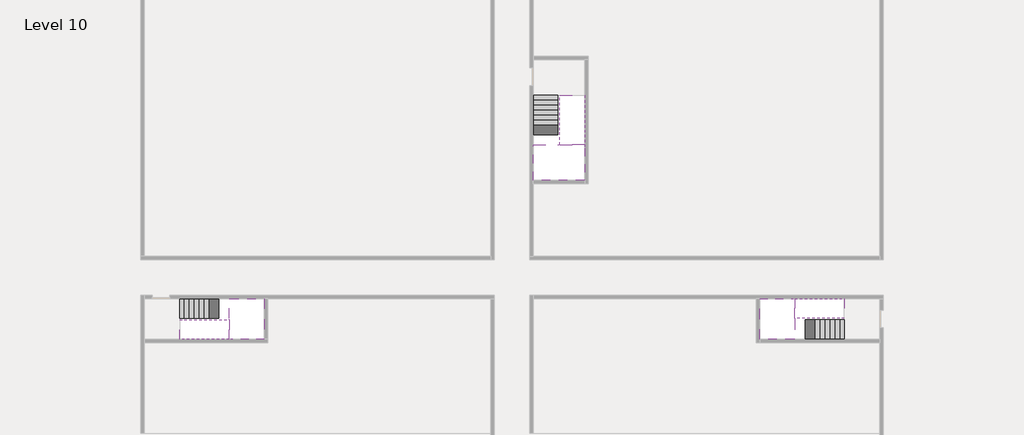
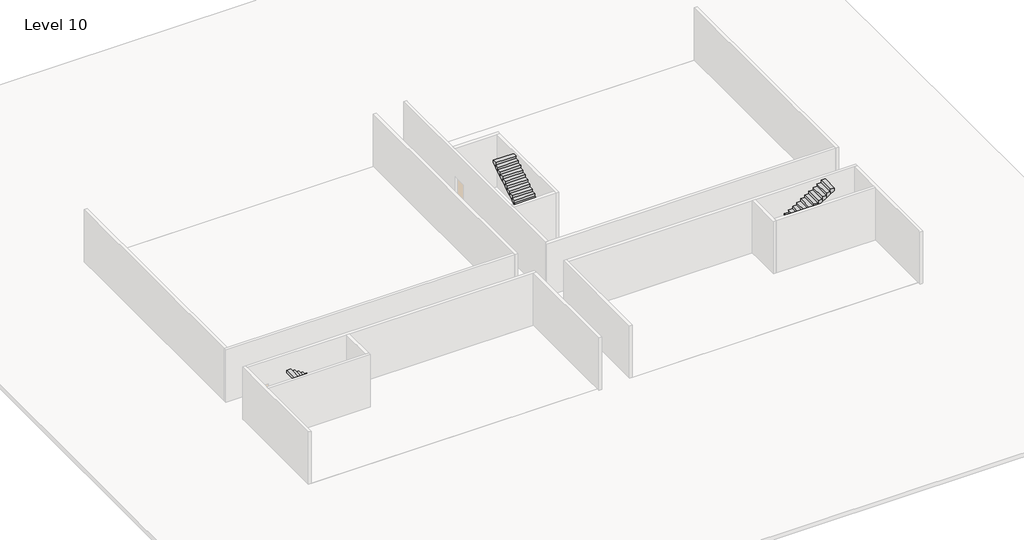
# One storey, part 2 of 2: 6 stair flights, 3 slabs.
"""IFC4 building model written with IfcOpenShell, lengths in millimetres."""

from ifc_helpers import new_model, si_unit, origin, place, context, project, spatial, faceted_brep, element, save

model = new_model("IFC4")

# Units and contexts
model_context = context("Model", 3, world=origin())
ifc_project = project(units=[si_unit("LENGTHUNIT", "METRE", prefix="MILLI")], contexts=[model_context])

# Site, building, storey
site = spatial("IfcSite", under=ifc_project)
building = spatial("IfcBuilding", under=site)
storey = spatial("IfcBuildingStorey", under=building, Name="Level 10", Elevation=34200.0)

# Slabs
placement = place(None, origin())
element("IfcSlab", 1, at=placement, inside=storey, context=model_context, shape_type="Brep", body=[
    faceted_brep([(8190.1058784, -42918.09644, 36100.0), (8190.1058784, -44018.09644, 36100.0), (8190.1058784, -44118.09644, 36100.0), (8190.1058784, -45218.09644, 36100.0), (8390.7194421, -45218.09644, 36100.0), (10190.1058784, -45218.09644, 36100.0), (10190.1058784, -42918.09644, 36100.0), (8269.4923146, -42918.09644, 36100.0), (8190.1058784, -42918.09644, 35927.2727273), (8190.1058784, -42918.09644, 35751.0278478), (8190.1058784, -44018.09644, 35751.0278478), (8190.1058784, -44018.09644, 35800.0), (8190.1058784, -44118.09644, 35800.0), (8190.1058784, -44118.09644, 35923.7551205), (8190.1058784, -45218.09644, 35923.7551205), (8390.7194421, -45218.09644, 35800.0), (10190.1058784, -45218.09644, 35800.0), (10190.1058784, -42918.09644, 35800.0), (8269.4923146, -42918.09644, 35800.0), (8390.7194421, -44118.09644, 35800.0), (8269.4923146, -44018.09644, 35800.0)], [[[0, 1, 2, 3, 4, 5, 6, 7]], [[1, 0, 8, 9, 10, 11]], [[2, 1, 11, 12, 13]], [[3, 2, 13, 14]], [[3, 14, 15, 16, 5, 4]], [[6, 5, 16, 17]], [[9, 8, 0, 7, 6, 17, 18]], [[19, 12, 11, 20, 18, 17, 16, 15]], [[12, 19, 13]], [[18, 20, 10, 9]], [[20, 11, 10]], [[19, 15, 14, 13]]]),
])
element("IfcSlab", 2, at=placement, inside=storey, context=model_context, shape_type="Brep", body=[
    faceted_brep([(40190.1058784, -45218.09644, 36100.0), (40190.1058784, -44118.09644, 36100.0), (40190.1058784, -44018.09644, 36100.0), (40190.1058784, -42918.09644, 36100.0), (39989.4923146, -42918.09644, 36100.0), (38190.1058784, -42918.09644, 36100.0), (38190.1058784, -45218.09644, 36100.0), (40110.7194421, -45218.09644, 36100.0), (40190.1058784, -45218.09644, 35927.2727273), (40190.1058784, -45218.09644, 35751.0278478), (40190.1058784, -44118.09644, 35751.0278478), (40190.1058784, -44118.09644, 35800.0), (40190.1058784, -44018.09644, 35800.0), (40190.1058784, -44018.09644, 35923.7551205), (40190.1058784, -42918.09644, 35923.7551205), (39989.4923146, -42918.09644, 35800.0), (38190.1058784, -42918.09644, 35800.0), (38190.1058784, -45218.09644, 35800.0), (40110.7194421, -45218.09644, 35800.0), (39989.4923146, -44018.09644, 35800.0), (40110.7194421, -44118.09644, 35800.0)], [[[0, 1, 2, 3, 4, 5, 6, 7]], [[1, 0, 8, 9, 10, 11]], [[2, 1, 11, 12, 13]], [[3, 2, 13, 14]], [[3, 14, 15, 16, 5, 4]], [[6, 5, 16, 17]], [[9, 8, 0, 7, 6, 17, 18]], [[19, 12, 11, 20, 18, 17, 16, 15]], [[12, 19, 13]], [[18, 20, 10, 9]], [[20, 11, 10]], [[19, 15, 14, 13]]]),
])
element("IfcSlab", 3, at=placement, inside=storey, context=model_context, shape_type="Brep", body=[
    faceted_brep([(26790.1058784, -34218.09644, 36100.0), (25390.1058784, -34218.09644, 36100.0), (25390.1058784, -34297.4828763, 36100.0), (25390.1058784, -36218.09644, 36100.0), (28290.1058784, -36218.09644, 36100.0), (28290.1058784, -34418.7100038, 36100.0), (28290.1058784, -34218.09644, 36100.0), (26890.1058784, -34218.09644, 36100.0), (26790.1058784, -34218.09644, 35800.0), (26790.1058784, -34218.09644, 35751.0278478), (25390.1058784, -34218.09644, 35751.0278478), (25390.1058784, -34218.09644, 35927.2727273), (25390.1058784, -34297.4828763, 35800.0), (25390.1058784, -36218.09644, 35800.0), (28290.1058784, -36218.09644, 35800.0), (28290.1058784, -34418.7100038, 35800.0), (28290.1058784, -34218.09644, 35923.7551205), (26890.1058784, -34218.09644, 35923.7551205), (26890.1058784, -34218.09644, 35800.0), (26890.1058784, -34418.7100038, 35800.0), (26790.1058784, -34297.4828763, 35800.0)], [[[0, 1, 2, 3, 4, 5, 6, 7]], [[1, 0, 8, 9, 10, 11]], [[1, 11, 10, 12, 13, 3, 2]], [[4, 3, 13, 14]], [[4, 14, 15, 16, 6, 5]], [[7, 6, 16, 17]], [[0, 7, 17, 18, 8]], [[18, 19, 15, 14, 13, 12, 20, 8]], [[19, 18, 17]], [[20, 12, 10, 9]], [[8, 20, 9]], [[15, 19, 17, 16]]]),
])

# Stair flights
element("IfcStairFlight", 4, at=placement, inside=storey, context=model_context, shape_type="Brep", body=[
    faceted_brep([(5670.1058784, -42918.09644, 34372.7272727), (5390.1058784, -42918.09644, 34372.7272727), (5390.1058784, -44018.09644, 34372.7272727), (5670.1058784, -44018.09644, 34372.7272727), (5670.1058784, -42918.09644, 34200.0), (5390.1058784, -42918.09644, 34200.0), (5390.1058784, -44018.09644, 34200.0), (5670.1058784, -44018.09644, 34200.0), (5950.1058784, -42918.09644, 34545.4545455), (5670.1058784, -42918.09644, 34545.4545455), (5670.1058784, -44018.09644, 34545.4545455), (5950.1058784, -44018.09644, 34545.4545455), (5950.1058784, -42918.09644, 34369.209666), (5675.8081041, -42918.09644, 34200.0), (5675.8081041, -44018.09644, 34200.0), (5950.1058784, -44018.09644, 34369.209666), (6230.1058784, -42918.09644, 34718.1818182), (5950.1058784, -42918.09644, 34718.1818182), (5950.1058784, -44018.09644, 34718.1818182), (6230.1058784, -44018.09644, 34718.1818182), (6230.1058784, -42918.09644, 34541.9369387), (6230.1058784, -44018.09644, 34541.9369387), (6510.1058784, -42918.09644, 34890.9090909), (6230.1058784, -42918.09644, 34890.9090909), (6230.1058784, -44018.09644, 34890.9090909), (6510.1058784, -44018.09644, 34890.9090909), (6510.1058784, -42918.09644, 34714.6642114), (6510.1058784, -44018.09644, 34714.6642114), (6790.1058784, -42918.09644, 35063.6363636), (6510.1058784, -42918.09644, 35063.6363636), (6510.1058784, -44018.09644, 35063.6363636), (6790.1058784, -44018.09644, 35063.6363636), (6790.1058784, -42918.09644, 34887.3914841), (6790.1058784, -44018.09644, 34887.3914841), (7070.1058784, -42918.09644, 35236.3636364), (6790.1058784, -42918.09644, 35236.3636364), (6790.1058784, -44018.09644, 35236.3636364), (7070.1058784, -44018.09644, 35236.3636364), (7070.1058784, -42918.09644, 35060.1187569), (7070.1058784, -44018.09644, 35060.1187569), (7350.1058784, -42918.09644, 35409.0909091), (7070.1058784, -42918.09644, 35409.0909091), (7070.1058784, -44018.09644, 35409.0909091), (7350.1058784, -44018.09644, 35409.0909091), (7350.1058784, -42918.09644, 35232.8460296), (7350.1058784, -44018.09644, 35232.8460296), (7630.1058784, -42918.09644, 35581.8181818), (7350.1058784, -42918.09644, 35581.8181818), (7350.1058784, -44018.09644, 35581.8181818), (7630.1058784, -44018.09644, 35581.8181818), (7630.1058784, -42918.09644, 35405.5733023), (7630.1058784, -44018.09644, 35405.5733023), (7910.1058784, -42918.09644, 35754.5454545), (7630.1058784, -42918.09644, 35754.5454545), (7630.1058784, -44018.09644, 35754.5454545), (7910.1058784, -44018.09644, 35754.5454545), (7910.1058784, -42918.09644, 35578.3005751), (7910.1058784, -44018.09644, 35578.3005751), (8190.1058784, -42918.09644, 35927.2727273), (7910.1058784, -42918.09644, 35927.2727273), (7910.1058784, -44018.09644, 35927.2727273), (8190.1058784, -44018.09644, 35927.2727273), (8190.1058784, -42918.09644, 35751.0278478), (8190.1058784, -44018.09644, 35751.0278478), (8190.1058784, -44018.09644, 35800.0)], [[[0, 1, 2, 3]], [[1, 0, 4, 5]], [[2, 1, 5, 6]], [[3, 2, 6, 7]], [[8, 9, 10, 11]], [[4, 0, 9, 8, 12, 13]], [[0, 3, 10, 9]], [[3, 7, 14, 15, 11, 10]], [[16, 17, 18, 19]], [[17, 16, 20, 12, 8]], [[8, 11, 18, 17]], [[19, 18, 11, 15, 21]], [[22, 23, 24, 25]], [[23, 22, 26, 20, 16]], [[16, 19, 24, 23]], [[25, 24, 19, 21, 27]], [[28, 29, 30, 31]], [[29, 28, 32, 26, 22]], [[22, 25, 30, 29]], [[31, 30, 25, 27, 33]], [[34, 35, 36, 37]], [[35, 34, 38, 32, 28]], [[28, 31, 36, 35]], [[37, 36, 31, 33, 39]], [[40, 41, 42, 43]], [[41, 40, 44, 38, 34]], [[34, 37, 42, 41]], [[43, 42, 37, 39, 45]], [[46, 47, 48, 49]], [[47, 46, 50, 44, 40]], [[40, 43, 48, 47]], [[49, 48, 43, 45, 51]], [[52, 53, 54, 55]], [[53, 52, 56, 50, 46]], [[46, 49, 54, 53]], [[55, 54, 49, 51, 57]], [[58, 59, 60, 61]], [[59, 58, 62, 56, 52]], [[52, 55, 60, 59]], [[61, 60, 55, 57, 63, 64]], [[58, 61, 64, 63, 62]], [[5, 4, 13, 14, 7, 6]], [[14, 13, 12, 20, 26, 32, 38, 44, 50, 56, 62, 63, 57, 51, 45, 39, 33, 27, 21, 15]]]),
])
element("IfcStairFlight", 5, at=placement, inside=storey, context=model_context, shape_type="Brep", body=[
    faceted_brep([(7910.1058784, -45218.09644, 36272.7272727), (8190.1058784, -45218.09644, 36272.7272727), (8190.1058784, -44118.09644, 36272.7272727), (7910.1058784, -44118.09644, 36272.7272727), (7910.1058784, -45218.09644, 36096.4823932), (8190.1058784, -45218.09644, 35923.7551205), (8190.1058784, -45218.09644, 36100.0), (8190.1058784, -44118.09644, 35923.7551205), (7910.1058784, -44118.09644, 36096.4823932), (7630.1058784, -45218.09644, 36445.4545455), (7910.1058784, -45218.09644, 36445.4545455), (7910.1058784, -44118.09644, 36445.4545455), (7630.1058784, -44118.09644, 36445.4545455), (7630.1058784, -45218.09644, 36269.209666), (7630.1058784, -44118.09644, 36269.209666), (7350.1058784, -45218.09644, 36618.1818182), (7630.1058784, -45218.09644, 36618.1818182), (7630.1058784, -44118.09644, 36618.1818182), (7350.1058784, -44118.09644, 36618.1818182), (7350.1058784, -45218.09644, 36441.9369387), (7350.1058784, -44118.09644, 36441.9369387), (7070.1058784, -45218.09644, 36790.9090909), (7350.1058784, -45218.09644, 36790.9090909), (7350.1058784, -44118.09644, 36790.9090909), (7070.1058784, -44118.09644, 36790.9090909), (7070.1058784, -45218.09644, 36614.6642114), (7070.1058784, -44118.09644, 36614.6642114), (6790.1058784, -45218.09644, 36963.6363636), (7070.1058784, -45218.09644, 36963.6363636), (7070.1058784, -44118.09644, 36963.6363636), (6790.1058784, -44118.09644, 36963.6363636), (6790.1058784, -45218.09644, 36787.3914841), (6790.1058784, -44118.09644, 36787.3914841), (6510.1058784, -45218.09644, 37136.3636364), (6790.1058784, -45218.09644, 37136.3636364), (6790.1058784, -44118.09644, 37136.3636364), (6510.1058784, -44118.09644, 37136.3636364), (6510.1058784, -45218.09644, 36960.1187569), (6510.1058784, -44118.09644, 36960.1187569), (6230.1058784, -45218.09644, 37309.0909091), (6510.1058784, -45218.09644, 37309.0909091), (6510.1058784, -44118.09644, 37309.0909091), (6230.1058784, -44118.09644, 37309.0909091), (6230.1058784, -45218.09644, 37132.8460296), (6230.1058784, -44118.09644, 37132.8460296), (5950.1058784, -45218.09644, 37481.8181818), (6230.1058784, -45218.09644, 37481.8181818), (6230.1058784, -44118.09644, 37481.8181818), (5950.1058784, -44118.09644, 37481.8181818), (5950.1058784, -45218.09644, 37305.5733023), (5950.1058784, -44118.09644, 37305.5733023), (5670.1058784, -45218.09644, 37654.5454545), (5950.1058784, -45218.09644, 37654.5454545), (5950.1058784, -44118.09644, 37654.5454545), (5670.1058784, -44118.09644, 37654.5454545), (5670.1058784, -45218.09644, 37478.3005751), (5670.1058784, -44118.09644, 37478.3005751), (5390.1058784, -45218.09644, 37827.2727273), (5670.1058784, -45218.09644, 37827.2727273), (5670.1058784, -44118.09644, 37827.2727273), (5390.1058784, -44118.09644, 37827.2727273), (5390.1058784, -45218.09644, 37651.0278478), (5390.1058784, -44118.09644, 37651.0278478)], [[[0, 1, 2, 3]], [[1, 0, 4, 5, 6]], [[2, 1, 6, 5, 7]], [[3, 2, 7, 8]], [[9, 10, 11, 12]], [[10, 9, 13, 4, 0]], [[11, 10, 0, 3]], [[12, 11, 3, 8, 14]], [[15, 16, 17, 18]], [[16, 15, 19, 13, 9]], [[17, 16, 9, 12]], [[18, 17, 12, 14, 20]], [[21, 22, 23, 24]], [[22, 21, 25, 19, 15]], [[23, 22, 15, 18]], [[24, 23, 18, 20, 26]], [[27, 28, 29, 30]], [[28, 27, 31, 25, 21]], [[29, 28, 21, 24]], [[30, 29, 24, 26, 32]], [[33, 34, 35, 36]], [[34, 33, 37, 31, 27]], [[35, 34, 27, 30]], [[36, 35, 30, 32, 38]], [[39, 40, 41, 42]], [[40, 39, 43, 37, 33]], [[41, 40, 33, 36]], [[42, 41, 36, 38, 44]], [[45, 46, 47, 48]], [[46, 45, 49, 43, 39]], [[47, 46, 39, 42]], [[48, 47, 42, 44, 50]], [[51, 52, 53, 54]], [[52, 51, 55, 49, 45]], [[53, 52, 45, 48]], [[54, 53, 48, 50, 56]], [[57, 58, 59, 60]], [[58, 57, 61, 55, 51]], [[59, 58, 51, 54]], [[60, 59, 54, 56, 62]], [[57, 60, 62, 61]], [[5, 4, 13, 19, 25, 31, 37, 43, 49, 55, 61, 62, 56, 50, 44, 38, 32, 26, 20, 14, 8, 7]]]),
])
element("IfcStairFlight", 6, at=placement, inside=storey, context=model_context, shape_type="Brep", body=[
    faceted_brep([(42710.1058784, -45218.09644, 34372.7272727), (42990.1058784, -45218.09644, 34372.7272727), (42990.1058784, -44118.09644, 34372.7272727), (42710.1058784, -44118.09644, 34372.7272727), (42710.1058784, -45218.09644, 34200.0), (42990.1058784, -45218.09644, 34200.0), (42990.1058784, -44118.09644, 34200.0), (42710.1058784, -44118.09644, 34200.0), (42430.1058784, -45218.09644, 34545.4545455), (42710.1058784, -45218.09644, 34545.4545455), (42710.1058784, -44118.09644, 34545.4545455), (42430.1058784, -44118.09644, 34545.4545455), (42430.1058784, -45218.09644, 34369.209666), (42704.4036527, -45218.09644, 34200.0), (42704.4036527, -44118.09644, 34200.0), (42430.1058784, -44118.09644, 34369.209666), (42150.1058784, -45218.09644, 34718.1818182), (42430.1058784, -45218.09644, 34718.1818182), (42430.1058784, -44118.09644, 34718.1818182), (42150.1058784, -44118.09644, 34718.1818182), (42150.1058784, -45218.09644, 34541.9369387), (42150.1058784, -44118.09644, 34541.9369387), (41870.1058784, -45218.09644, 34890.9090909), (42150.1058784, -45218.09644, 34890.9090909), (42150.1058784, -44118.09644, 34890.9090909), (41870.1058784, -44118.09644, 34890.9090909), (41870.1058784, -45218.09644, 34714.6642114), (41870.1058784, -44118.09644, 34714.6642114), (41590.1058784, -45218.09644, 35063.6363636), (41870.1058784, -45218.09644, 35063.6363636), (41870.1058784, -44118.09644, 35063.6363636), (41590.1058784, -44118.09644, 35063.6363636), (41590.1058784, -45218.09644, 34887.3914841), (41590.1058784, -44118.09644, 34887.3914841), (41310.1058784, -45218.09644, 35236.3636364), (41590.1058784, -45218.09644, 35236.3636364), (41590.1058784, -44118.09644, 35236.3636364), (41310.1058784, -44118.09644, 35236.3636364), (41310.1058784, -45218.09644, 35060.1187569), (41310.1058784, -44118.09644, 35060.1187569), (41030.1058784, -45218.09644, 35409.0909091), (41310.1058784, -45218.09644, 35409.0909091), (41310.1058784, -44118.09644, 35409.0909091), (41030.1058784, -44118.09644, 35409.0909091), (41030.1058784, -45218.09644, 35232.8460296), (41030.1058784, -44118.09644, 35232.8460296), (40750.1058784, -45218.09644, 35581.8181818), (41030.1058784, -45218.09644, 35581.8181818), (41030.1058784, -44118.09644, 35581.8181818), (40750.1058784, -44118.09644, 35581.8181818), (40750.1058784, -45218.09644, 35405.5733023), (40750.1058784, -44118.09644, 35405.5733023), (40470.1058784, -45218.09644, 35754.5454545), (40750.1058784, -45218.09644, 35754.5454545), (40750.1058784, -44118.09644, 35754.5454545), (40470.1058784, -44118.09644, 35754.5454545), (40470.1058784, -45218.09644, 35578.3005751), (40470.1058784, -44118.09644, 35578.3005751), (40190.1058784, -45218.09644, 35927.2727273), (40470.1058784, -45218.09644, 35927.2727273), (40470.1058784, -44118.09644, 35927.2727273), (40190.1058784, -44118.09644, 35927.2727273), (40190.1058784, -45218.09644, 35751.0278478), (40190.1058784, -44118.09644, 35751.0278478), (40190.1058784, -44118.09644, 35800.0)], [[[0, 1, 2, 3]], [[1, 0, 4, 5]], [[2, 1, 5, 6]], [[3, 2, 6, 7]], [[8, 9, 10, 11]], [[4, 0, 9, 8, 12, 13]], [[0, 3, 10, 9]], [[3, 7, 14, 15, 11, 10]], [[16, 17, 18, 19]], [[17, 16, 20, 12, 8]], [[8, 11, 18, 17]], [[19, 18, 11, 15, 21]], [[22, 23, 24, 25]], [[23, 22, 26, 20, 16]], [[16, 19, 24, 23]], [[25, 24, 19, 21, 27]], [[28, 29, 30, 31]], [[29, 28, 32, 26, 22]], [[22, 25, 30, 29]], [[31, 30, 25, 27, 33]], [[34, 35, 36, 37]], [[35, 34, 38, 32, 28]], [[28, 31, 36, 35]], [[37, 36, 31, 33, 39]], [[40, 41, 42, 43]], [[41, 40, 44, 38, 34]], [[34, 37, 42, 41]], [[43, 42, 37, 39, 45]], [[46, 47, 48, 49]], [[47, 46, 50, 44, 40]], [[40, 43, 48, 47]], [[49, 48, 43, 45, 51]], [[52, 53, 54, 55]], [[53, 52, 56, 50, 46]], [[46, 49, 54, 53]], [[55, 54, 49, 51, 57]], [[58, 59, 60, 61]], [[59, 58, 62, 56, 52]], [[52, 55, 60, 59]], [[61, 60, 55, 57, 63, 64]], [[58, 61, 64, 63, 62]], [[5, 4, 13, 14, 7, 6]], [[14, 13, 12, 20, 26, 32, 38, 44, 50, 56, 62, 63, 57, 51, 45, 39, 33, 27, 21, 15]]]),
])
element("IfcStairFlight", 7, at=placement, inside=storey, context=model_context, shape_type="Brep", body=[
    faceted_brep([(40470.1058784, -42918.09644, 36272.7272727), (40190.1058784, -42918.09644, 36272.7272727), (40190.1058784, -44018.09644, 36272.7272727), (40470.1058784, -44018.09644, 36272.7272727), (40470.1058784, -42918.09644, 36096.4823932), (40190.1058784, -42918.09644, 35923.7551205), (40190.1058784, -42918.09644, 36100.0), (40190.1058784, -44018.09644, 35923.7551205), (40470.1058784, -44018.09644, 36096.4823932), (40750.1058784, -42918.09644, 36445.4545455), (40470.1058784, -42918.09644, 36445.4545455), (40470.1058784, -44018.09644, 36445.4545455), (40750.1058784, -44018.09644, 36445.4545455), (40750.1058784, -42918.09644, 36269.209666), (40750.1058784, -44018.09644, 36269.209666), (41030.1058784, -42918.09644, 36618.1818182), (40750.1058784, -42918.09644, 36618.1818182), (40750.1058784, -44018.09644, 36618.1818182), (41030.1058784, -44018.09644, 36618.1818182), (41030.1058784, -42918.09644, 36441.9369387), (41030.1058784, -44018.09644, 36441.9369387), (41310.1058784, -42918.09644, 36790.9090909), (41030.1058784, -42918.09644, 36790.9090909), (41030.1058784, -44018.09644, 36790.9090909), (41310.1058784, -44018.09644, 36790.9090909), (41310.1058784, -42918.09644, 36614.6642114), (41310.1058784, -44018.09644, 36614.6642114), (41590.1058784, -42918.09644, 36963.6363636), (41310.1058784, -42918.09644, 36963.6363636), (41310.1058784, -44018.09644, 36963.6363636), (41590.1058784, -44018.09644, 36963.6363636), (41590.1058784, -42918.09644, 36787.3914841), (41590.1058784, -44018.09644, 36787.3914841), (41870.1058784, -42918.09644, 37136.3636364), (41590.1058784, -42918.09644, 37136.3636364), (41590.1058784, -44018.09644, 37136.3636364), (41870.1058784, -44018.09644, 37136.3636364), (41870.1058784, -42918.09644, 36960.1187569), (41870.1058784, -44018.09644, 36960.1187569), (42150.1058784, -42918.09644, 37309.0909091), (41870.1058784, -42918.09644, 37309.0909091), (41870.1058784, -44018.09644, 37309.0909091), (42150.1058784, -44018.09644, 37309.0909091), (42150.1058784, -42918.09644, 37132.8460296), (42150.1058784, -44018.09644, 37132.8460296), (42430.1058784, -42918.09644, 37481.8181818), (42150.1058784, -42918.09644, 37481.8181818), (42150.1058784, -44018.09644, 37481.8181818), (42430.1058784, -44018.09644, 37481.8181818), (42430.1058784, -42918.09644, 37305.5733023), (42430.1058784, -44018.09644, 37305.5733023), (42710.1058784, -42918.09644, 37654.5454545), (42430.1058784, -42918.09644, 37654.5454545), (42430.1058784, -44018.09644, 37654.5454545), (42710.1058784, -44018.09644, 37654.5454545), (42710.1058784, -42918.09644, 37478.3005751), (42710.1058784, -44018.09644, 37478.3005751), (42990.1058784, -42918.09644, 37827.2727273), (42710.1058784, -42918.09644, 37827.2727273), (42710.1058784, -44018.09644, 37827.2727273), (42990.1058784, -44018.09644, 37827.2727273), (42990.1058784, -42918.09644, 37651.0278478), (42990.1058784, -44018.09644, 37651.0278478)], [[[0, 1, 2, 3]], [[1, 0, 4, 5, 6]], [[2, 1, 6, 5, 7]], [[3, 2, 7, 8]], [[9, 10, 11, 12]], [[10, 9, 13, 4, 0]], [[11, 10, 0, 3]], [[12, 11, 3, 8, 14]], [[15, 16, 17, 18]], [[16, 15, 19, 13, 9]], [[17, 16, 9, 12]], [[18, 17, 12, 14, 20]], [[21, 22, 23, 24]], [[22, 21, 25, 19, 15]], [[23, 22, 15, 18]], [[24, 23, 18, 20, 26]], [[27, 28, 29, 30]], [[28, 27, 31, 25, 21]], [[29, 28, 21, 24]], [[30, 29, 24, 26, 32]], [[33, 34, 35, 36]], [[34, 33, 37, 31, 27]], [[35, 34, 27, 30]], [[36, 35, 30, 32, 38]], [[39, 40, 41, 42]], [[40, 39, 43, 37, 33]], [[41, 40, 33, 36]], [[42, 41, 36, 38, 44]], [[45, 46, 47, 48]], [[46, 45, 49, 43, 39]], [[47, 46, 39, 42]], [[48, 47, 42, 44, 50]], [[51, 52, 53, 54]], [[52, 51, 55, 49, 45]], [[53, 52, 45, 48]], [[54, 53, 48, 50, 56]], [[57, 58, 59, 60]], [[58, 57, 61, 55, 51]], [[59, 58, 51, 54]], [[60, 59, 54, 56, 62]], [[57, 60, 62, 61]], [[5, 4, 13, 19, 25, 31, 37, 43, 49, 55, 61, 62, 56, 50, 44, 38, 32, 26, 20, 14, 8, 7]]]),
])
element("IfcStairFlight", 8, at=placement, inside=storey, context=model_context, shape_type="Brep", body=[
    faceted_brep([(26790.1058784, -31698.09644, 34372.7272727), (26790.1058784, -31418.09644, 34372.7272727), (25390.1058784, -31418.09644, 34372.7272727), (25390.1058784, -31698.09644, 34372.7272727), (26790.1058784, -31698.09644, 34200.0), (26790.1058784, -31418.09644, 34200.0), (25390.1058784, -31418.09644, 34200.0), (25390.1058784, -31698.09644, 34200.0), (26790.1058784, -31978.09644, 34545.4545455), (26790.1058784, -31698.09644, 34545.4545455), (25390.1058784, -31698.09644, 34545.4545455), (25390.1058784, -31978.09644, 34545.4545455), (26790.1058784, -31978.09644, 34369.209666), (26790.1058784, -31703.7986657, 34200.0), (25390.1058784, -31703.7986657, 34200.0), (25390.1058784, -31978.09644, 34369.209666), (26790.1058784, -32258.09644, 34718.1818182), (26790.1058784, -31978.09644, 34718.1818182), (25390.1058784, -31978.09644, 34718.1818182), (25390.1058784, -32258.09644, 34718.1818182), (26790.1058784, -32258.09644, 34541.9369387), (25390.1058784, -32258.09644, 34541.9369387), (26790.1058784, -32538.09644, 34890.9090909), (26790.1058784, -32258.09644, 34890.9090909), (25390.1058784, -32258.09644, 34890.9090909), (25390.1058784, -32538.09644, 34890.9090909), (26790.1058784, -32538.09644, 34714.6642114), (25390.1058784, -32538.09644, 34714.6642114), (26790.1058784, -32818.09644, 35063.6363636), (26790.1058784, -32538.09644, 35063.6363636), (25390.1058784, -32538.09644, 35063.6363636), (25390.1058784, -32818.09644, 35063.6363636), (26790.1058784, -32818.09644, 34887.3914841), (25390.1058784, -32818.09644, 34887.3914841), (26790.1058784, -33098.09644, 35236.3636364), (26790.1058784, -32818.09644, 35236.3636364), (25390.1058784, -32818.09644, 35236.3636364), (25390.1058784, -33098.09644, 35236.3636364), (26790.1058784, -33098.09644, 35060.1187569), (25390.1058784, -33098.09644, 35060.1187569), (26790.1058784, -33378.09644, 35409.0909091), (26790.1058784, -33098.09644, 35409.0909091), (25390.1058784, -33098.09644, 35409.0909091), (25390.1058784, -33378.09644, 35409.0909091), (26790.1058784, -33378.09644, 35232.8460296), (25390.1058784, -33378.09644, 35232.8460296), (26790.1058784, -33658.09644, 35581.8181818), (26790.1058784, -33378.09644, 35581.8181818), (25390.1058784, -33378.09644, 35581.8181818), (25390.1058784, -33658.09644, 35581.8181818), (26790.1058784, -33658.09644, 35405.5733023), (25390.1058784, -33658.09644, 35405.5733023), (26790.1058784, -33938.09644, 35754.5454545), (26790.1058784, -33658.09644, 35754.5454545), (25390.1058784, -33658.09644, 35754.5454545), (25390.1058784, -33938.09644, 35754.5454545), (26790.1058784, -33938.09644, 35578.3005751), (25390.1058784, -33938.09644, 35578.3005751), (26790.1058784, -34218.09644, 35927.2727273), (26790.1058784, -33938.09644, 35927.2727273), (25390.1058784, -33938.09644, 35927.2727273), (25390.1058784, -34218.09644, 35927.2727273), (26790.1058784, -34218.09644, 35800.0), (26790.1058784, -34218.09644, 35751.0278478), (25390.1058784, -34218.09644, 35751.0278478)], [[[0, 1, 2, 3]], [[1, 0, 4, 5]], [[2, 1, 5, 6]], [[3, 2, 6, 7]], [[8, 9, 10, 11]], [[4, 0, 9, 8, 12, 13]], [[0, 3, 10, 9]], [[3, 7, 14, 15, 11, 10]], [[16, 17, 18, 19]], [[17, 16, 20, 12, 8]], [[8, 11, 18, 17]], [[19, 18, 11, 15, 21]], [[22, 23, 24, 25]], [[23, 22, 26, 20, 16]], [[16, 19, 24, 23]], [[25, 24, 19, 21, 27]], [[28, 29, 30, 31]], [[29, 28, 32, 26, 22]], [[22, 25, 30, 29]], [[31, 30, 25, 27, 33]], [[34, 35, 36, 37]], [[35, 34, 38, 32, 28]], [[28, 31, 36, 35]], [[37, 36, 31, 33, 39]], [[40, 41, 42, 43]], [[41, 40, 44, 38, 34]], [[34, 37, 42, 41]], [[43, 42, 37, 39, 45]], [[46, 47, 48, 49]], [[47, 46, 50, 44, 40]], [[40, 43, 48, 47]], [[49, 48, 43, 45, 51]], [[52, 53, 54, 55]], [[53, 52, 56, 50, 46]], [[46, 49, 54, 53]], [[55, 54, 49, 51, 57]], [[58, 59, 60, 61]], [[59, 58, 62, 63, 56, 52]], [[52, 55, 60, 59]], [[61, 60, 55, 57, 64]], [[58, 61, 64, 63, 62]], [[5, 4, 13, 14, 7, 6]], [[14, 13, 12, 20, 26, 32, 38, 44, 50, 56, 63, 64, 57, 51, 45, 39, 33, 27, 21, 15]]]),
])
element("IfcStairFlight", 9, at=placement, inside=storey, context=model_context, shape_type="Brep", body=[
    faceted_brep([(26890.1058784, -33938.09644, 36272.7272727), (26890.1058784, -34218.09644, 36272.7272727), (28290.1058784, -34218.09644, 36272.7272727), (28290.1058784, -33938.09644, 36272.7272727), (26890.1058784, -33938.09644, 36096.4823932), (26890.1058784, -34218.09644, 35923.7551205), (28290.1058784, -34218.09644, 35923.7551205), (28290.1058784, -34218.09644, 36100.0), (28290.1058784, -33938.09644, 36096.4823932), (26890.1058784, -33658.09644, 36445.4545455), (26890.1058784, -33938.09644, 36445.4545455), (28290.1058784, -33938.09644, 36445.4545455), (28290.1058784, -33658.09644, 36445.4545455), (26890.1058784, -33658.09644, 36269.209666), (28290.1058784, -33658.09644, 36269.209666), (26890.1058784, -33378.09644, 36618.1818182), (26890.1058784, -33658.09644, 36618.1818182), (28290.1058784, -33658.09644, 36618.1818182), (28290.1058784, -33378.09644, 36618.1818182), (26890.1058784, -33378.09644, 36441.9369387), (28290.1058784, -33378.09644, 36441.9369387), (26890.1058784, -33098.09644, 36790.9090909), (26890.1058784, -33378.09644, 36790.9090909), (28290.1058784, -33378.09644, 36790.9090909), (28290.1058784, -33098.09644, 36790.9090909), (26890.1058784, -33098.09644, 36614.6642114), (28290.1058784, -33098.09644, 36614.6642114), (26890.1058784, -32818.09644, 36963.6363636), (26890.1058784, -33098.09644, 36963.6363636), (28290.1058784, -33098.09644, 36963.6363636), (28290.1058784, -32818.09644, 36963.6363636), (26890.1058784, -32818.09644, 36787.3914841), (28290.1058784, -32818.09644, 36787.3914841), (26890.1058784, -32538.09644, 37136.3636364), (26890.1058784, -32818.09644, 37136.3636364), (28290.1058784, -32818.09644, 37136.3636364), (28290.1058784, -32538.09644, 37136.3636364), (26890.1058784, -32538.09644, 36960.1187569), (28290.1058784, -32538.09644, 36960.1187569), (26890.1058784, -32258.09644, 37309.0909091), (26890.1058784, -32538.09644, 37309.0909091), (28290.1058784, -32538.09644, 37309.0909091), (28290.1058784, -32258.09644, 37309.0909091), (26890.1058784, -32258.09644, 37132.8460296), (28290.1058784, -32258.09644, 37132.8460296), (26890.1058784, -31978.09644, 37481.8181818), (26890.1058784, -32258.09644, 37481.8181818), (28290.1058784, -32258.09644, 37481.8181818), (28290.1058784, -31978.09644, 37481.8181818), (26890.1058784, -31978.09644, 37305.5733023), (28290.1058784, -31978.09644, 37305.5733023), (26890.1058784, -31698.09644, 37654.5454545), (26890.1058784, -31978.09644, 37654.5454545), (28290.1058784, -31978.09644, 37654.5454545), (28290.1058784, -31698.09644, 37654.5454545), (26890.1058784, -31698.09644, 37478.3005751), (28290.1058784, -31698.09644, 37478.3005751), (26890.1058784, -31418.09644, 37827.2727273), (26890.1058784, -31698.09644, 37827.2727273), (28290.1058784, -31698.09644, 37827.2727273), (28290.1058784, -31418.09644, 37827.2727273), (26890.1058784, -31418.09644, 37651.0278478), (28290.1058784, -31418.09644, 37651.0278478)], [[[0, 1, 2, 3]], [[1, 0, 4, 5]], [[2, 1, 5, 6, 7]], [[3, 2, 7, 6, 8]], [[9, 10, 11, 12]], [[10, 9, 13, 4, 0]], [[11, 10, 0, 3]], [[12, 11, 3, 8, 14]], [[15, 16, 17, 18]], [[16, 15, 19, 13, 9]], [[17, 16, 9, 12]], [[18, 17, 12, 14, 20]], [[21, 22, 23, 24]], [[22, 21, 25, 19, 15]], [[23, 22, 15, 18]], [[24, 23, 18, 20, 26]], [[27, 28, 29, 30]], [[28, 27, 31, 25, 21]], [[29, 28, 21, 24]], [[30, 29, 24, 26, 32]], [[33, 34, 35, 36]], [[34, 33, 37, 31, 27]], [[35, 34, 27, 30]], [[36, 35, 30, 32, 38]], [[39, 40, 41, 42]], [[40, 39, 43, 37, 33]], [[41, 40, 33, 36]], [[42, 41, 36, 38, 44]], [[45, 46, 47, 48]], [[46, 45, 49, 43, 39]], [[47, 46, 39, 42]], [[48, 47, 42, 44, 50]], [[51, 52, 53, 54]], [[52, 51, 55, 49, 45]], [[53, 52, 45, 48]], [[54, 53, 48, 50, 56]], [[57, 58, 59, 60]], [[58, 57, 61, 55, 51]], [[59, 58, 51, 54]], [[60, 59, 54, 56, 62]], [[57, 60, 62, 61]], [[5, 4, 13, 19, 25, 31, 37, 43, 49, 55, 61, 62, 56, 50, 44, 38, 32, 26, 20, 14, 8, 6]]]),
])

save(model, "model.ifc")
